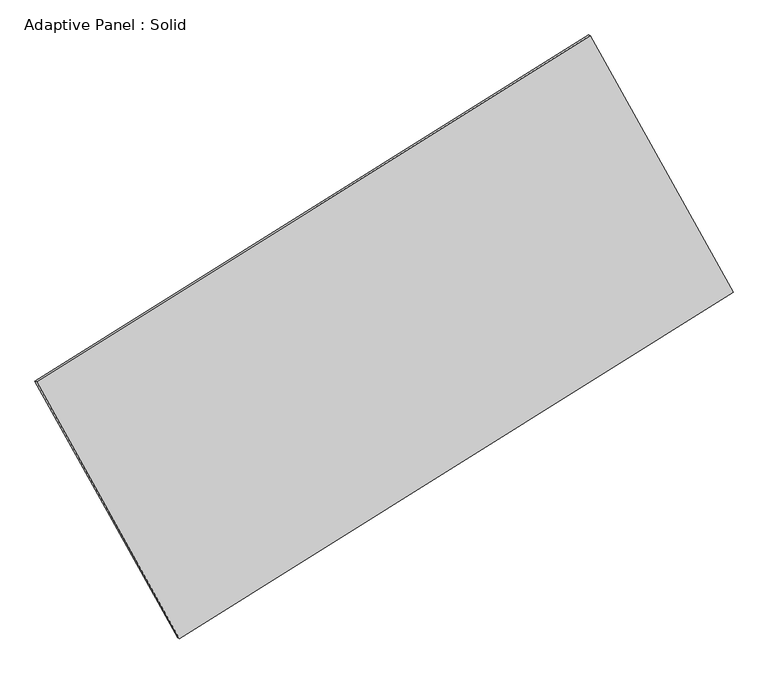
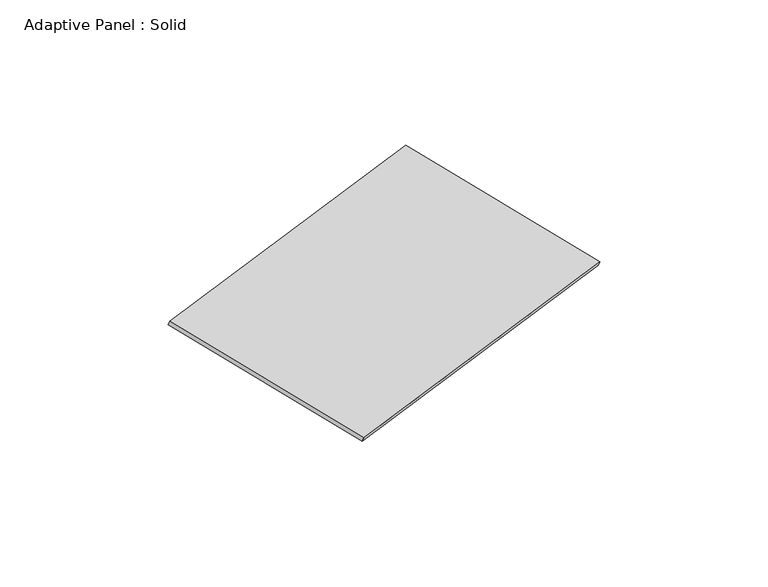
"""IFC4 building model written with IfcOpenShell, lengths in millimetres: plate geometry, Adaptive Panel : Solid."""

import ifcopenshell
import ifcopenshell.guid

model = None  # the IFC model being written
_history = None  # IfcOwnerHistory: only IFC2X3 demands one
_inside = {}  # id of a spatial element -> (the spatial element, [elements in it])
_under = {}  # id of a project, library or spatial element -> (it, [spatial elements below it])
_declared = {}  # id of a project -> (the project, [libraries it declares])
_typed = {}  # id of a type object -> (the type object, [elements of that type])
_made_of = {}  # id of a material, layer set ... -> (it, [elements and type objects made of it])


def new_model(schema):
    """Start an empty IFC model of exactly this schema.

    Asked for "IFC4X3", IfcOpenShell would pick the latest addendum, in which some entities
    have other attributes; the version numbers below select the first issue.
    IFC2X3 requires an IfcOwnerHistory on every rooted entity: one is made here for all.
    """
    global model, _history
    if schema == "IFC4X3":
        model = ifcopenshell.file(schema_version=(4, 3, 0, 0))
    else:
        model = ifcopenshell.file(schema=schema)
    _inside.clear()
    _under.clear()
    _declared.clear()
    _typed.clear()
    _made_of.clear()
    _history = None
    if model.schema == "IFC2X3":
        org = make("IfcOrganization", Name="unknown")
        user = make(
            "IfcPersonAndOrganization",
            ThePerson=make("IfcPerson", FamilyName="unknown"),
            TheOrganization=org,
        )
        app = make(
            "IfcApplication",
            ApplicationDeveloper=org,
            Version="unknown",
            ApplicationFullName="unknown",
            ApplicationIdentifier="unknown",
        )
        _history = make(
            "IfcOwnerHistory",
            OwningUser=user,
            OwningApplication=app,
            ChangeAction="ADDED",
            CreationDate=0,
        )
    return model


def make(cls, **values):
    """One entity of the class cls with the attributes given. An attribute that is None is left unset."""
    return model.create_entity(
        cls, **{name: value for name, value in values.items() if value is not None}
    )


def rooted(cls, **values):
    """An entity with a GlobalId (a new one), such as an element, a storey or a relation."""
    return make(cls, GlobalId=ifcopenshell.guid.new(), OwnerHistory=_history, **values)


def si_unit(unit_type, name, prefix=None):
    """IfcSIUnit, for example si_unit("LENGTHUNIT", "METRE", prefix="MILLI")."""
    return make("IfcSIUnit", UnitType=unit_type, Prefix=prefix, Name=name)


def assignment(units):
    """IfcUnitAssignment: the units of a project."""
    return None if units is None else make("IfcUnitAssignment", Units=units)


def point(xyz):
    """IfcCartesianPoint."""
    return None if xyz is None else make("IfcCartesianPoint", Coordinates=xyz)


def direction(xyz):
    """IfcDirection."""
    return None if xyz is None else make("IfcDirection", DirectionRatios=xyz)


def frame(location, z_axis=None, x_axis=None):
    """IfcAxis2Placement3D, a coordinate frame: its origin and axes. An axis left out is left unset."""
    return make(
        "IfcAxis2Placement3D",
        Location=point(location),
        Axis=direction(z_axis),
        RefDirection=direction(x_axis),
    )


def origin():
    """The frame at (0, 0, 0) with its axes left unset."""
    return frame((0.0, 0.0, 0.0))


def place(relative_to, where):
    """IfcLocalPlacement: puts the frame where relative to a parent placement (None: the world)."""
    return make(
        "IfcLocalPlacement", PlacementRelTo=relative_to, RelativePlacement=where
    )


def context(
    kind, dimensions, precision=None, world=None, true_north=None, identifier=None
):
    """IfcGeometricRepresentationContext, for example the 3D "Model" context."""
    return make(
        "IfcGeometricRepresentationContext",
        ContextIdentifier=identifier,
        ContextType=kind,
        CoordinateSpaceDimension=dimensions,
        Precision=precision,
        WorldCoordinateSystem=world,
        TrueNorth=true_north,
    )


def project(units=None, contexts=None):
    """IfcProject with its units and contexts."""
    return rooted(
        "IfcProject",
        Name="project",
        RepresentationContexts=contexts,
        UnitsInContext=assignment(units),
    )


def spatial(cls, under=None, at=None, **own):
    """A site, building, storey or space (cls), placed at a placement, below another one or the project."""
    s = rooted(cls, ObjectPlacement=at, **own)
    if under is not None:
        _under.setdefault(under.id(), (under, []))[1].append(s)
    return s


def polyline(points):
    """IfcPolyline through the points."""
    return make("IfcPolyline", Points=[point(p) for p in points])


def outline(outer, holes=None, kind="AREA"):
    """IfcArbitraryClosedProfileDef: a profile drawn as a closed curve; with holes, ...WithVoids."""
    if holes is None:
        return make("IfcArbitraryClosedProfileDef", ProfileType=kind, OuterCurve=outer)
    return make(
        "IfcArbitraryProfileDefWithVoids",
        ProfileType=kind,
        OuterCurve=outer,
        InnerCurves=holes,
    )


def extrude(swept, where, along, depth):
    """IfcExtrudedAreaSolid: the profile swept, set in the frame where, extruded along a direction by depth."""
    return make(
        "IfcExtrudedAreaSolid",
        SweptArea=swept,
        Position=where,
        ExtrudedDirection=direction(along),
        Depth=depth,
    )


def shape(context_of_items, identifier, shape_type, items):
    """IfcShapeRepresentation: the items that make up one representation, for example the "Body"."""
    return make(
        "IfcShapeRepresentation",
        ContextOfItems=context_of_items,
        RepresentationIdentifier=identifier,
        RepresentationType=shape_type,
        Items=items,
    )


def source(mapping_origin, context_of_items, identifier, shape_type, items):
    """IfcRepresentationMap: a shape defined once, which mapped items show again and again."""
    return make(
        "IfcRepresentationMap",
        MappingOrigin=mapping_origin,
        MappedRepresentation=shape(context_of_items, identifier, shape_type, items),
    )


def transform(
    local_origin,
    x_axis=None,
    y_axis=None,
    z_axis=None,
    scale=None,
    scale2=None,
    scale3=None,
    uniform=True,
):
    """IfcCartesianTransformationOperator3D, or its non-uniform kind. x_axis, y_axis, z_axis: its Axis1, 2, 3."""
    if uniform:
        return make(
            "IfcCartesianTransformationOperator3D",
            Axis1=direction(x_axis),
            Axis2=direction(y_axis),
            LocalOrigin=point(local_origin),
            Scale=scale,
            Axis3=direction(z_axis),
        )
    return make(
        "IfcCartesianTransformationOperator3DnonUniform",
        Axis1=direction(x_axis),
        Axis2=direction(y_axis),
        LocalOrigin=point(local_origin),
        Scale=scale,
        Axis3=direction(z_axis),
        Scale2=scale2,
        Scale3=scale3,
    )


def mapped(mapping_source, mapping_target):
    """IfcMappedItem: shows the shape of a source again, moved by a transform."""
    return make(
        "IfcMappedItem", MappingSource=mapping_source, MappingTarget=mapping_target
    )


def made_of(thing, what):
    """Note that an element or type object is made of a material, layer set ...; save() writes the relation."""
    if what is not None:
        _made_of.setdefault(what.id(), (what, []))[1].append(thing)
    return thing


def element(
    cls,
    number,
    at=None,
    inside=None,
    cuts=None,
    type_object=None,
    material=None,
    context=None,
    identifier="Body",
    shape_type=None,
    held_by="IfcProductDefinitionShape",
    body=None,
    shapes=None,
    **own,
):
    """One element of the class cls, such as IfcWall. Its Tag is "e" and its number.

    at: its placement. inside: the storey or other place that contains it. cuts: it is an
    opening in that element (IfcRelVoidsElement). A single representation is given by context,
    identifier, shape_type and body (its items); several are given by shapes. held_by: the class
    of the entity that holds the representations. save() writes the other relations.
    """
    e = rooted(cls, Tag="e%d" % number, ObjectPlacement=at, **own)
    if body is not None:
        shapes = [shape(context, identifier, shape_type, body)]
    if shapes is not None:
        e.Representation = make(held_by, Representations=shapes)
    if inside is not None:
        _inside.setdefault(inside.id(), (inside, []))[1].append(e)
    if cuts is not None:
        rooted(
            "IfcRelVoidsElement", RelatingBuildingElement=cuts, RelatedOpeningElement=e
        )
    if type_object is not None:
        _typed.setdefault(type_object.id(), (type_object, []))[1].append(e)
    return made_of(e, material)


def aggregate(whole, parts):
    """IfcRelAggregates: a whole, such as a stair, and the parts it consists of."""
    return rooted("IfcRelAggregates", RelatingObject=whole, RelatedObjects=parts)


def save(model, path):
    """Write the relations noted so far, then the file.

    IfcRelAggregates (storeys below a building ...), IfcRelContainedInSpatialStructure (elements
    in a storey), IfcRelDefinesByType, IfcRelAssociatesMaterial and IfcRelDeclares: one each for
    every whole, place, type object, material and project.
    """
    for whole, parts in _under.values():
        aggregate(whole, parts)
    for where, things in _inside.values():
        rooted(
            "IfcRelContainedInSpatialStructure",
            RelatedElements=things,
            RelatingStructure=where,
        )
    for kind, things in _typed.values():
        rooted("IfcRelDefinesByType", RelatedObjects=things, RelatingType=kind)
    for what, things in _made_of.values():
        rooted("IfcRelAssociatesMaterial", RelatedObjects=things, RelatingMaterial=what)
    for by, libraries in _declared.values():
        rooted("IfcRelDeclares", RelatingContext=by, RelatedDefinitions=libraries)
    model.write(path)


def adaptive_panel_solid_eb4c6587(model_context):
    return source(origin(), model_context, "Body", "SweptSolid", [
        extrude(outline(polyline([(-1345.6756346, 2941.5017059), (1346.1297486, 2941.5017059), (1345.6756185, -2941.7094887), (-1346.1297326, -2941.2939232), (-1345.6756346, 2941.5017059)])), frame((-650.8226445, -100.0621432, 871.2806301), z_axis=(0.2933271166111758, -0.12760186928687092, 0.947458160350667), x_axis=(0.46937150929848404, -0.8441605842131868, -0.25900442915076627)), (0.0, 0.0, 1.0), 50.0),
    ])


if __name__ == "__main__":
    model = new_model("IFC4")
    model_context = context("Model", 3, world=origin())
    ifc_project = project(units=[si_unit("LENGTHUNIT", "METRE", prefix="MILLI")], contexts=[model_context])
    site = spatial("IfcSite", under=ifc_project)
    building = spatial("IfcBuilding", under=site)
    placement = place(None, origin())
    adaptive_panel_solid_shape = adaptive_panel_solid_eb4c6587(model_context)
    element("IfcPlate", 1, ObjectType="Adaptive Panel : Solid", at=placement, inside=building, context=model_context, shape_type="MappedRepresentation", body=[
        mapped(adaptive_panel_solid_shape, transform((0.0, 0.0, 0.0), x_axis=(1.0, 0.0, 0.0), y_axis=(0.0, 1.0, 0.0), z_axis=(0.0, 0.0, 1.0))),
    ])
    save(model, "model.ifc")
